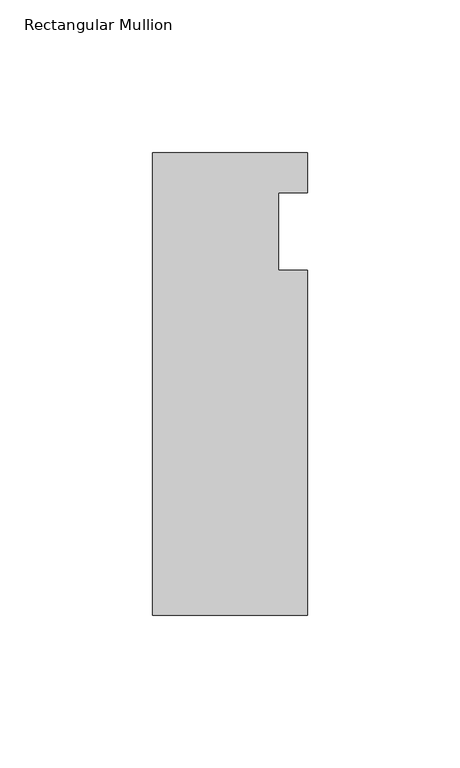
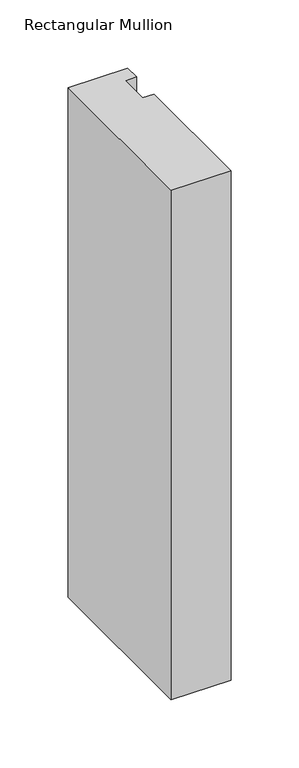
"""IFC4 building model written with IfcOpenShell, lengths in millimetres: member geometry, Rectangular Mullion."""

from ifc_helpers import new_model, si_unit, frame, origin, place, context, project, spatial, polyline, outline, extrude, source, transform, mapped, element, save


def rectangular_mullion_3631f58a(model_context):
    return source(origin(), model_context, "Body", "SweptSolid", [
        extrude(outline(polyline([(-25.4, 25.796875), (25.4, 25.796875), (25.4, 12.7), (15.875, 12.7), (15.875, -12.7), (25.4, -12.7), (25.4, -125.809375), (-25.4, -125.809375), (-25.4, 25.796875)])), frame((0.0, 0.0, -457.2), z_axis=(0.0, 0.0, 1.0), x_axis=(1.0, 0.0, 0.0)), (0.0, 0.0, 1.0), 457.2),
    ])


if __name__ == "__main__":
    model = new_model("IFC4")
    model_context = context("Model", 3, world=origin())
    ifc_project = project(units=[si_unit("LENGTHUNIT", "METRE", prefix="MILLI")], contexts=[model_context])
    site = spatial("IfcSite", under=ifc_project)
    building = spatial("IfcBuilding", under=site)
    placement = place(None, origin())
    rectangular_mullion_shape = rectangular_mullion_3631f58a(model_context)
    element("IfcMember", 1, ObjectType="Rectangular Mullion", at=placement, inside=building, context=model_context, shape_type="MappedRepresentation", body=[
        mapped(rectangular_mullion_shape, transform((0.0, 0.0, 0.0), x_axis=(1.0, 0.0, 0.0), y_axis=(0.0, 1.0, 0.0), z_axis=(0.0, 0.0, 1.0))),
    ])
    save(model, "model.ifc")
